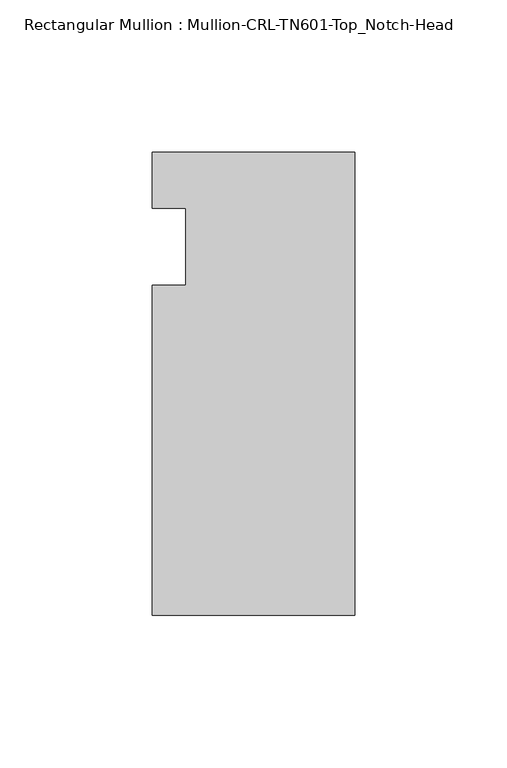
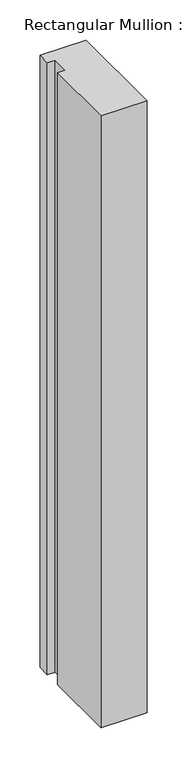
"""IFC4 building model written with IfcOpenShell, lengths in millimetres: member geometry, Rectangular Mullion : Mullion-CRL-TN601-Top_Notch-Head."""

from ifc_helpers import new_model, si_unit, frame, origin, place, context, project, spatial, polyline, outline, extrude, source, transform, mapped, element, save


def rectangular_mullion_mullion_crl_tn601_top_notch_head_4ce09393(model_context):
    return source(origin(), model_context, "Body", "SweptSolid", [
        extrude(outline(polyline([(0.0, -121.259591), (-66.675, -121.259591), (-66.675, -12.7), (-55.5625, -12.7), (-55.5625, 12.7), (-66.675, 12.7), (-66.675, 31.140391), (0.0, 31.140391), (0.0, -121.259591)])), frame((0.0, 0.0, -933.45), z_axis=(0.0, 0.0, 1.0), x_axis=(1.0, 0.0, 0.0)), (0.0, 0.0, 1.0), 933.45),
    ])


if __name__ == "__main__":
    model = new_model("IFC4")
    model_context = context("Model", 3, world=origin())
    ifc_project = project(units=[si_unit("LENGTHUNIT", "METRE", prefix="MILLI")], contexts=[model_context])
    site = spatial("IfcSite", under=ifc_project)
    building = spatial("IfcBuilding", under=site)
    placement = place(None, origin())
    rectangular_mullion_mullion_crl_tn601_top_notch_head_shape = rectangular_mullion_mullion_crl_tn601_top_notch_head_4ce09393(model_context)
    element("IfcMember", 1, ObjectType="Rectangular Mullion : Mullion-CRL-TN601-Top_Notch-Head", at=placement, inside=building, context=model_context, shape_type="MappedRepresentation", body=[
        mapped(rectangular_mullion_mullion_crl_tn601_top_notch_head_shape, transform((0.0, 0.0, 0.0), x_axis=(1.0, 0.0, 0.0), y_axis=(0.0, 1.0, 0.0), z_axis=(0.0, 0.0, 1.0))),
    ])
    save(model, "model.ifc")
